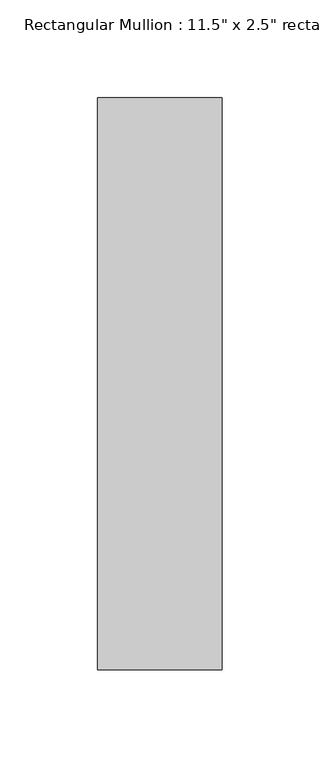
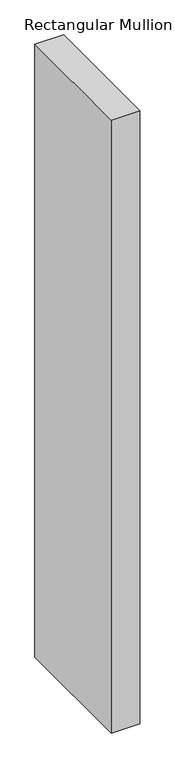
"""IFC4 building model written with IfcOpenShell, lengths in millimetres: member geometry."""

from ifc_helpers import new_model, si_unit, frame, origin, place, context, project, spatial, polyline, outline, extrude, source, transform, mapped, element, save


def member_c2ff0c1c(model_context):
    return source(origin(), model_context, "Body", "SweptSolid", [
        extrude(outline(polyline([(0.0, 203.2), (0.0, -88.9), (-63.5, -88.9), (-63.5, 203.2), (0.0, 203.2)])), frame((0.0, 0.0, -1433.576), z_axis=(0.0, 0.0, 1.0), x_axis=(1.0, 0.0, 0.0)), (0.0, 0.0, 1.0), 1433.576),
    ])


if __name__ == "__main__":
    model = new_model("IFC4")
    model_context = context("Model", 3, world=origin())
    ifc_project = project(units=[si_unit("LENGTHUNIT", "METRE", prefix="MILLI")], contexts=[model_context])
    site = spatial("IfcSite", under=ifc_project)
    building = spatial("IfcBuilding", under=site)
    placement = place(None, origin())
    member_shape = member_c2ff0c1c(model_context)
    element("IfcMember", 1, ObjectType="Rectangular Mullion : 11.5\" x 2.5\" rectangular", at=placement, inside=building, context=model_context, shape_type="MappedRepresentation", body=[
        mapped(member_shape, transform((0.0, 0.0, 0.0), x_axis=(1.0, 0.0, 0.0), y_axis=(0.0, 1.0, 0.0), z_axis=(0.0, 0.0, 1.0))),
    ])
    save(model, "model.ifc")
